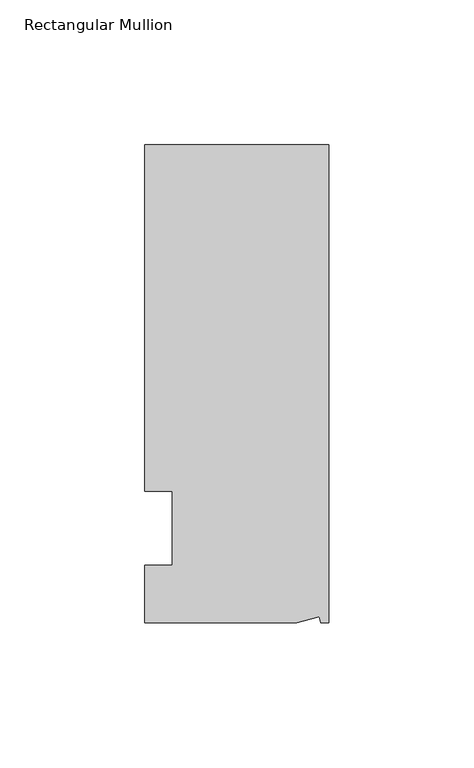
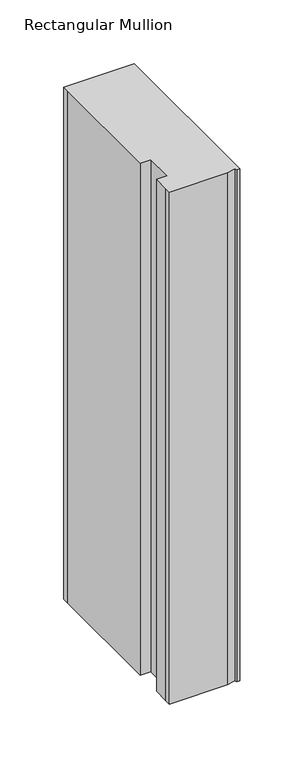
"""IFC4 building model written with IfcOpenShell, lengths in millimetres: member geometry, Rectangular Mullion."""

from ifc_helpers import new_model, si_unit, origin, place, context, project, spatial, faceted_brep, source, transform, mapped, element, save


def rectangular_mullion_4ea0874a(model_context):
    return source(origin(), model_context, "Body", "Brep", [
        faceted_brep([(0.0, 132.5561012, 0.0), (-63.5, 132.5561012, 0.0), (-63.5, 126.2061012, 0.0), (-63.5, 12.8488281, 0.0), (-53.975, 12.8488281, 0.0), (-53.975, -12.7, 0.0), (-63.5, -12.7, 0.0), (-63.5, -26.1938988, 0.0), (-63.5076469, -32.5438988, 0.0), (-11.1125, -32.5438988, 0.0), (-3.3223696, -30.4565397, 0.0), (-2.7630634, -32.5438988, 0.0), (0.0, -32.5438988, 0.0), (0.0, 132.5561012, -488.95), (0.0, -32.5438988, -488.95), (-2.7630634, -32.5438988, -488.95), (-3.3223696, -30.4565397, -488.95), (-11.1125, -32.5438988, -488.95), (-63.5076469, -32.5438988, -488.95), (-63.5076469, -26.1938988, -488.95), (-63.5, -12.7, -488.95), (-53.975, -12.7, -488.95), (-53.975, 12.8488281, -488.95), (-63.5, 12.8488281, -488.95), (-63.5, 126.2061012, -488.95), (-63.5, 132.5561012, -488.95)], [[[0, 1, 2, 3, 4, 5, 6, 7, 8, 9, 10, 11, 12]], [[13, 14, 15, 16, 17, 18, 19, 20, 21, 22, 23, 24, 25]], [[0, 12, 14, 13]], [[1, 0, 13, 25]], [[3, 2, 24, 23]], [[4, 3, 23, 22]], [[5, 4, 22, 21]], [[6, 5, 21, 20]], [[7, 6, 20, 19]], [[9, 8, 18, 17]], [[10, 9, 17, 16]], [[11, 10, 16, 15]], [[12, 11, 15, 14]], [[2, 1, 25, 24]], [[8, 7, 19, 18]]]),
    ])


if __name__ == "__main__":
    model = new_model("IFC4")
    model_context = context("Model", 3, world=origin())
    ifc_project = project(units=[si_unit("LENGTHUNIT", "METRE", prefix="MILLI")], contexts=[model_context])
    site = spatial("IfcSite", under=ifc_project)
    building = spatial("IfcBuilding", under=site)
    placement = place(None, origin())
    rectangular_mullion_shape = rectangular_mullion_4ea0874a(model_context)
    element("IfcMember", 1, ObjectType="Rectangular Mullion", at=placement, inside=building, context=model_context, shape_type="MappedRepresentation", body=[
        mapped(rectangular_mullion_shape, transform((0.0, 0.0, 0.0), x_axis=(1.0, 0.0, 0.0), y_axis=(0.0, 1.0, 0.0), z_axis=(0.0, 0.0, 1.0))),
    ])
    save(model, "model.ifc")
